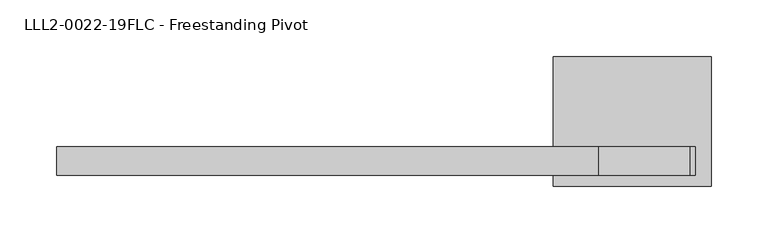
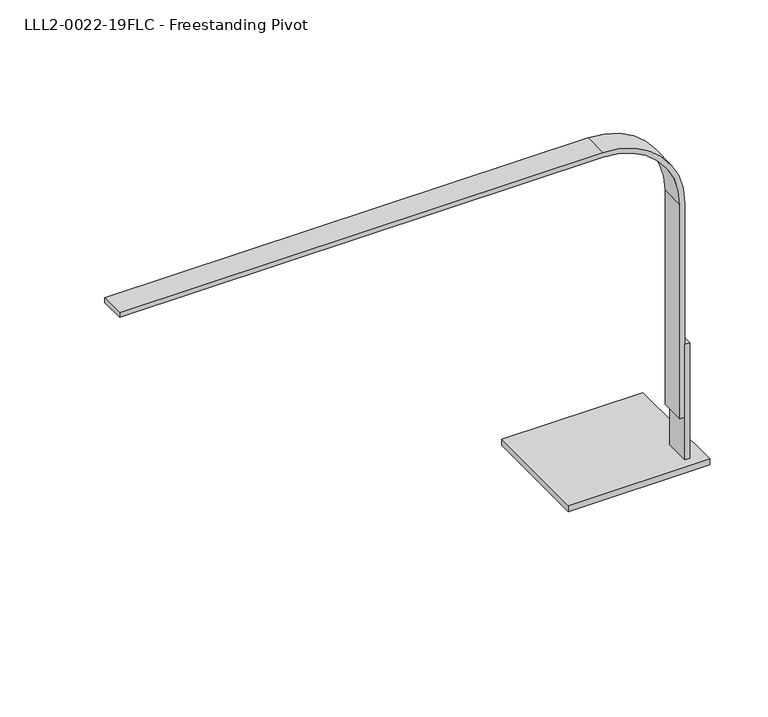
"""IFC4 building model written with IfcOpenShell, lengths in millimetres: light fixture geometry, LLL2-0022-19FLC - Freestanding Pivot."""

from ifc_helpers import new_model, si_unit, point, frame, frame_2d, origin, place, context, project, spatial, polyline, circle_curve, trimmed, segment, composite_curve, outline, extrude, faceted_brep, source, transform, mapped, element, save


def lll2_0022_19flc_freestanding_pivot_89a99560(model_context):
    return source(origin(), model_context, "Body", "SolidModel", [
        faceted_brep([(34.1911301, 236.9532085, 863.6), (29.4286301, 236.9532085, 863.6), (29.4286301, 211.5532085, 863.6), (34.1911301, 211.5532085, 863.6), (48.4786301, 316.3282085, 736.6), (48.4786301, 202.0282085, 736.6), (-91.2213699, 202.0282085, 736.6), (-91.2213699, 316.3282085, 736.6), (34.1911301, 211.5532085, 742.95), (34.1911301, 236.9532085, 742.95), (29.4286301, 211.5532085, 742.95), (29.4286301, 236.9532085, 742.95), (48.4786301, 316.3282085, 742.95), (-91.2213699, 316.3282085, 742.95), (-91.2213699, 202.0282085, 742.95), (48.4786301, 202.0282085, 742.95)], [[[0, 1, 2, 3]], [[4, 5, 6, 7]], [[0, 3, 8, 9]], [[3, 2, 10, 8]], [[2, 1, 11, 10]], [[1, 0, 9, 11]], [[12, 13, 14, 15], [9, 8, 10, 11]], [[13, 12, 4, 7]], [[14, 13, 7, 6]], [[15, 14, 6, 5]], [[12, 15, 5, 4]]]),
        extrude(outline(composite_curve([segment(polyline([(1092.2, -529.3713699), (1087.4375, -529.3713699), (1087.4375, -51.5338699)]), True, "CONTINUOUS"), segment(trimmed(circle_curve(frame_2d((1011.2375, -51.5338699)), 76.2), [point((1087.4375, -51.5338699))], [point((1011.2375, 24.6661301))], True, "CARTESIAN"), True, "CONTINUOUS"), segment(polyline([(1011.2375, 24.6661301), (787.4, 24.6661301), (787.4, 29.4286301), (1011.2375, 29.4286301)]), True, "CONTINUOUS"), segment(trimmed(circle_curve(frame_2d((1011.2375, -51.5338699)), 80.9625), [point((1011.2375, 29.4286301))], [point((1092.2, -51.5338699))], False, "CARTESIAN"), True, "CONTINUOUS"), segment(polyline([(1092.2, -51.5338699), (1092.2, -529.3713699)]), True, "CONTINUOUS")], self_intersect=False)), frame((0.0, 211.5532085, 0.0), z_axis=(0.0, 1.0, 0.0), x_axis=(0.0, 0.0, 1.0)), (0.0, 0.0, 1.0), 25.4),
    ])


if __name__ == "__main__":
    model = new_model("IFC4")
    model_context = context("Model", 3, world=origin())
    ifc_project = project(units=[si_unit("LENGTHUNIT", "METRE", prefix="MILLI")], contexts=[model_context])
    site = spatial("IfcSite", under=ifc_project)
    building = spatial("IfcBuilding", under=site)
    placement = place(None, origin())
    lll2_0022_19flc_freestanding_pivot_shape = lll2_0022_19flc_freestanding_pivot_89a99560(model_context)
    element("IfcLightFixture", 1, ObjectType="LLL2-0022-19FLC - Freestanding Pivot", at=placement, inside=building, context=model_context, shape_type="MappedRepresentation", body=[
        mapped(lll2_0022_19flc_freestanding_pivot_shape, transform((0.0, 0.0, 0.0), x_axis=(1.0, 0.0, 0.0), y_axis=(0.0, 1.0, 0.0), z_axis=(0.0, 0.0, 1.0))),
    ])
    save(model, "model.ifc")
